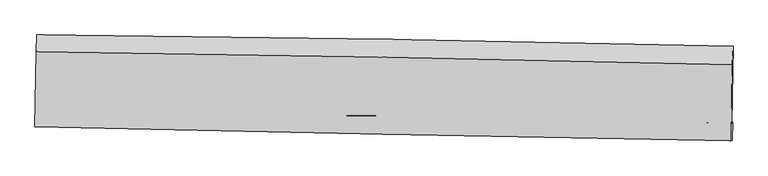
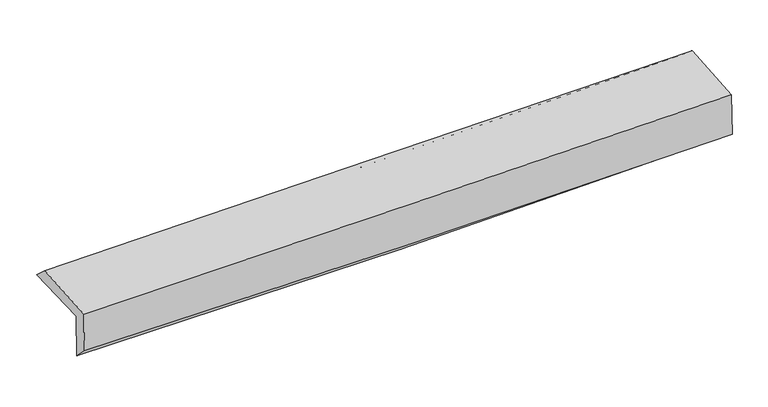
"""IFC4 building model written with IfcOpenShell, lengths in millimetres: proxy geometry."""

from ifc_helpers import new_model, si_unit, frame, origin, place, context, project, spatial, source, transform, mapped, element, save
from ifc_brep_helpers import plane_surface, spline_curve, spline_surface, advanced_brep


def generic_models_545c6d7f(model_context):
    return source(origin(), model_context, "Body", "AdvancedBrep", [
        advanced_brep(
        [(-3021.2728746, -1754.8014784, 1976.2050157), (-3010.2890209, -1090.5553292, 1981.5123066), (3002.0321039, -1189.6968537, 2125.0240023), (2991.1855489, -1851.2927097, 2119.740128), (-3011.663761, -1750.0397247, 1576.5791662), (3001.1552118, -1846.3522874, 1705.1196767), (-3016.8780516, -1880.3629637, 1703.8316427), (2995.693749, -2001.6003326, 1826.1661598), (-3025.815972, -1884.7921106, 2075.5437675), (2986.1557163, -2006.3268625, 2222.8358852), (-3015.7280207, -1235.6808608, 2107.8053299), (2996.2673602, -1349.7189864, 2255.4677488)],
        [
            (0, 1),
            (1, 2, spline_curve(3, [(-3010.2890209, -1090.5553292, 1981.5123066), (-2003.98723578, -1098.790901075, 1978.052005232), (-998.214733152, -1111.210095934, 1988.363014155), (1005.885604673, -1144.310257411, 2036.374663069), (2004.22014395, -1164.938237306, 2073.900885947), (3002.0321039, -1189.6968537, 2125.0240023)], [4, 2, 4], [0.0, 9.899589997842831, 19.73628995565476])),
            (2, 3),
            (3, 0, spline_curve(3, [(2991.1855489, -1851.2927097, 2119.740128), (1993.035558954, -1824.88551879, 2068.621427013), (994.520097224, -1803.65007721, 2031.095480025), (-1009.628022159, -1771.419992049, 1983.076078696), (-2015.265368652, -1760.491689474, 1972.756988504), (-3021.2728746, -1754.8014784, 1976.2050157)], [4, 2, 4], [0.0, 9.83669995781193, 19.73628995565476])),
            (4, 0),
            (3, 5),
            (5, 4, spline_curve(3, [(3001.1552118, -1846.3522874, 1705.1196767), (2002.761621354, -1826.342471047, 1659.536200358), (1004.094116828, -1808.330704303, 1626.028283916), (-1000.175360272, -1776.200886058, 1583.026545276), (-2005.780846974, -1762.108465579, 1573.687624968), (-3011.663761, -1750.0397247, 1576.5791662)], [4, 2, 4], [0.0, 9.836619196810727, 19.736127917314292])),
            (6, 4),
            (5, 7),
            (7, 6, spline_curve(3, [(2995.693749, -2001.6003326, 1826.1661598), (1996.88629102, -1982.548924147, 1793.79615506), (998.031659885, -1962.954036879, 1767.429902559), (-1006.158335058, -1922.548552323, 1726.574715659), (-2011.494304306, -1901.730983154, 1712.162796106), (-3016.8780516, -1880.3629637, 1703.8316427)], [4, 2, 4], [0.0, 9.836134263009649, 19.735154949332305])),
            (8, 6),
            (7, 9),
            (9, 8, spline_curve(3, [(2986.1557163, -2006.3268625, 2222.8358852), (1987.245672764, -1987.326289845, 2194.732221907), (988.389276928, -1967.732277117, 2168.439370913), (-1015.601973999, -1927.228305856, 2119.318769615), (-2020.736140858, -1906.310734238, 2096.514248186), (-3025.815972, -1884.7921106, 2075.5437675)], [4, 2, 4], [0.0, 9.835788346713535, 19.734460905155927])),
            (10, 8),
            (9, 11),
            (11, 10, spline_curve(3, [(2996.2673602, -1349.7189864, 2255.4677488), (1997.821057552, -1324.506529299, 2227.68188654), (999.195308818, -1302.41742125, 2201.517780397), (-1004.800849326, -1264.364647307, 2152.276170535), (-2010.173561341, -1248.441046741, 2129.219470399), (-3015.7280207, -1235.6808608, 2107.8053299)], [4, 2, 4], [0.0, 9.835621636340237, 19.734126418561832])),
            (1, 10),
            (11, 2),
        ],
        [
            spline_surface(3, 3, [[(-3021.2728746, -1754.8014784, 1976.2050157), (-2015.265368626, -1760.491689622, 1972.756988458), (-1009.628022297, -1771.419991933, 1983.07607881), (994.520097361, -1803.650077325, 2031.095479912), (1993.035558905, -1824.885518755, 2068.621426988), (2991.1855489, -1851.2927097, 2119.740128)], [(-3017.611590036, -1533.386095358, 1977.974112644), (-2011.505991014, -1539.924760135, 1974.521994058), (-1005.823592644, -1551.350026596, 1984.838390645), (998.308599834, -1583.870137308, 2032.855207607), (1996.763753933, -1604.903091599, 2070.381246606), (2994.801067253, -1630.760757694, 2121.501419419)], [(-3013.950305464, -1311.970712242, 1979.743209656), (-2007.746613394, -1319.357830575, 1976.286999727), (-1002.019162952, -1331.280061334, 1986.600702437), (1002.097102346, -1364.090197365, 2034.614935258), (2000.491948902, -1384.92066446, 2072.141066267), (2998.416585547, -1410.228805706, 2123.262710881)], [(-3010.2890209, -1090.5553292, 1981.5123066), (-2003.987235782, -1098.790901088, 1978.052005328), (-998.214733299, -1111.210095998, 1988.363014273), (1005.885604819, -1144.310257348, 2036.374662952), (2004.22014393, -1164.938237305, 2073.900885885), (3002.0321039, -1189.6968537, 2125.0240023)]], [4, 4], [4, 2, 4], [0.0, 2.16501676713947], [0.0, 9.899589997842831, 19.73628995565476]),
            spline_surface(3, 3, [[(-3011.663761, -1750.0397247, 1576.5791662), (-2005.780846854, -1762.108465687, 1573.687624996), (-1000.175360342, -1776.200886214, 1583.026545385), (1004.094116897, -1808.330704147, 1626.028283808), (2002.761621339, -1826.342471175, 1659.536200215), (3001.1552118, -1846.3522874, 1705.1196767)], [(-3014.866798858, -1751.626975928, 1709.787782716), (-2008.942354103, -1761.569540327, 1706.710746166), (-1003.326247643, -1774.607254807, 1716.376389845), (1000.902777069, -1806.770495227, 1761.050682495), (1999.519600527, -1825.856820371, 1795.897942473), (2997.831990833, -1847.999094836, 1843.326493801)], [(-3018.069836742, -1753.214227172, 1842.996399184), (-2012.103861377, -1761.030614982, 1839.733867287), (-1006.477134996, -1773.01362334, 1849.72623435), (997.711437189, -1805.210286246, 1896.073081226), (1996.277579717, -1825.371169559, 1932.25968473), (2994.508769867, -1849.645902264, 1981.533310899)], [(-3021.2728746, -1754.8014784, 1976.2050157), (-2015.265368626, -1760.491689622, 1972.756988458), (-1009.628022297, -1771.419991933, 1983.07607881), (994.520097361, -1803.650077325, 2031.095479912), (1993.035558905, -1824.885518755, 2068.621426988), (2991.1855489, -1851.2927097, 2119.740128)]], [4, 4], [4, 2, 4], [0.0, 1.3211371554076439], [0.0, 9.899508720503565, 19.736127917314292]),
            spline_surface(3, 3, [[(-3016.8780516, -1880.3629637, 1703.8316427), (-2011.494304296, -1901.730983143, 1712.162796018), (-1006.158335132, -1922.548552243, 1726.574715779), (998.031659959, -1962.954036959, 1767.42990244), (1996.886290972, -1982.548924171, 1793.79615503), (2995.693749, -2001.6003326, 1826.1661598)], [(-3015.139954721, -1836.921884011, 1661.414150542), (-2009.589818469, -1855.190143969, 1666.004405686), (-1004.164010214, -1873.765996881, 1678.725325675), (1000.052478926, -1911.412926003, 1720.29602959), (1998.844734419, -1930.480106496, 1749.042836778), (2997.514236591, -1949.85098419, 1785.81733212)], [(-3013.401857879, -1793.480804389, 1618.996658358), (-2007.685332681, -1808.649304861, 1619.846015328), (-1002.16968526, -1824.983441577, 1630.875935489), (1002.07329793, -1859.871815104, 1673.162156658), (2000.803177893, -1878.41128885, 1704.289518467), (2999.334724209, -1898.10163581, 1745.46850438)], [(-3011.663761, -1750.0397247, 1576.5791662), (-2005.780846854, -1762.108465687, 1573.687624996), (-1000.175360342, -1776.200886214, 1583.026545385), (1004.094116897, -1808.330704147, 1626.028283808), (2002.761621339, -1826.342471175, 1659.536200215), (3001.1552118, -1846.3522874, 1705.1196767)]], [4, 4], [4, 2, 4], [0.0, 0.6801331263626824], [0.0, 9.899020686322656, 19.735154949332305]),
            spline_surface(3, 3, [[(-3025.815972, -1884.7921106, 2075.5437675), (-2020.736140801, -1906.310734324, 2096.514248154), (-1015.601973999, -1927.228305733, 2119.31876972), (988.389276927, -1967.732277239, 2168.439370808), (1987.245672919, -1987.326289789, 2194.732221854), (2986.1557163, -2006.3268625, 2222.8358852)], [(-3022.836665206, -1883.31572831, 1951.639725873), (-2017.655528639, -1904.784150607, 1968.397097415), (-1012.454094364, -1925.668387918, 1988.404085065), (991.603404617, -1966.139530494, 2034.76954801), (1990.459212289, -1985.733834583, 2061.086866248), (2989.335060552, -2004.751352534, 2090.612643403)], [(-3019.857358394, -1881.83934599, 1827.735684327), (-2014.574916458, -1903.25756686, 1840.279946757), (-1009.306214767, -1924.108470058, 1857.489400434), (994.817532269, -1964.546783704, 1901.099725237), (1993.672751603, -1984.141379377, 1927.441510635), (2992.514404748, -2003.175842566, 1958.389401597)], [(-3016.8780516, -1880.3629637, 1703.8316427), (-2011.494304296, -1901.730983143, 1712.162796018), (-1006.158335132, -1922.548552243, 1726.574715779), (998.031659959, -1962.954036959, 1767.42990244), (1996.886290972, -1982.548924171, 1793.79615503), (2995.693749, -2001.6003326, 1826.1661598)]], [4, 4], [4, 2, 4], [0.0, 1.3024710167770013], [0.0, 9.898672558442392, 19.734460905155927]),
            spline_surface(3, 3, [[(-3015.7280207, -1235.6808608, 2107.8053299), (-2010.173561197, -1248.441046857, 2129.219470533), (-1004.800849472, -1264.36464732, 2152.276170626), (999.195308962, -1302.417421237, 2201.517780306), (1997.821057515, -1324.506529262, 2227.681886529), (2996.2673602, -1349.7189864, 2255.4677488)], [(-3019.090671139, -1452.051277418, 2097.051475761), (-2013.694421071, -1467.730942697, 2118.317729735), (-1008.401224325, -1485.319200135, 2141.290370315), (995.593298273, -1524.189039916, 2190.491643798), (1994.295929286, -1545.446449436, 2216.698664951), (2992.896812203, -1568.588278432, 2244.590460913)], [(-3022.453321561, -1668.421693982, 2086.297621639), (-2017.215280927, -1687.020838484, 2107.415988953), (-1012.001599146, -1706.273752918, 2130.304570031), (991.991287616, -1745.960658561, 2179.465507316), (1990.770801148, -1766.386369615, 2205.715443432), (2989.526264297, -1787.457570468, 2233.713173087)], [(-3025.815972, -1884.7921106, 2075.5437675), (-2020.736140801, -1906.310734324, 2096.514248154), (-1015.601973999, -1927.228305733, 2119.31876972), (988.389276927, -1967.732277239, 2168.439370808), (1987.245672919, -1987.326289789, 2194.732221854), (2986.1557163, -2006.3268625, 2222.8358852)]], [4, 4], [4, 2, 4], [0.0, 2.1817237214806995], [0.0, 9.898504782221595, 19.734126418561832]),
            spline_surface(3, 3, [[(-3010.2890209, -1090.5553292, 1981.5123066), (-2003.987235782, -1098.790901088, 1978.052005328), (-998.214733299, -1111.210095998, 1988.363014273), (1005.885604819, -1144.310257348, 2036.374662952), (2004.22014393, -1164.938237305, 2073.900885885), (3002.0321039, -1189.6968537, 2125.0240023)], [(-3012.10202084, -1138.930506374, 2023.609981064), (-2006.049344261, -1148.674282985, 2028.441160427), (-1000.41010535, -1162.261613103, 2043.000733047), (1003.655506206, -1197.012645309, 2091.422368727), (2002.087115127, -1218.127667972, 2125.161219444), (3000.110522668, -1243.037564614, 2168.505251145)], [(-3013.91502076, -1187.305683626, 2065.707655436), (-2008.111452719, -1198.55766496, 2078.830315434), (-1002.60547742, -1213.313130214, 2097.638451852), (1001.425407575, -1249.715033276, 2146.470074531), (1999.954086319, -1271.317098595, 2176.42155297), (2998.188941432, -1296.378275486, 2211.986499955)], [(-3015.7280207, -1235.6808608, 2107.8053299), (-2010.173561197, -1248.441046857, 2129.219470533), (-1004.800849472, -1264.36464732, 2152.276170626), (999.195308962, -1302.417421237, 2201.517780306), (1997.821057515, -1324.506529262, 2227.681886529), (2996.2673602, -1349.7189864, 2255.4677488)]], [4, 4], [4, 2, 4], [0.0, 0.74329816082414], [0.0, 9.898755888481881, 19.734627035856466]),
            plane_surface(frame((2995.4149484, -1707.4980054, 2042.3922668), z_axis=(0.9995783804311698, -0.016578001091508802, 0.02383760169165034), x_axis=(0.024036621824486577, 0.011911241514831077, -0.9996401168104659))),
            plane_surface(frame((-3016.9412835, -1599.3720779, 1903.5795381), z_axis=(-0.9995760692049394, 0.01671925561125198, -0.02383586299272623), x_axis=(-0.01653303056332784, -0.9998314063820865, -0.007988598901638026))),
        ],
        [
            (0, [[1, 2, 3, 4]]),
            (1, [[5, -4, 6, 7]]),
            (2, [[8, -7, 9, 10]]),
            (3, [[11, -10, 12, 13]]),
            (4, [[14, -13, 15, 16]]),
            (5, [[17, -16, 18, -2]]),
            (6, [[-12, -9, -6, -3, -18, -15]]),
            (7, [[-1, -5, -8, -11, -14, -17]]),
        ],
    ),
    ])


if __name__ == "__main__":
    model = new_model("IFC4")
    model_context = context("Model", 3, world=origin())
    ifc_project = project(units=[si_unit("LENGTHUNIT", "METRE", prefix="MILLI")], contexts=[model_context])
    site = spatial("IfcSite", under=ifc_project)
    building = spatial("IfcBuilding", under=site)
    placement = place(None, origin())
    generic_models_shape = generic_models_545c6d7f(model_context)
    element("IfcBuildingElementProxy", 1, Name="Generic Models", at=placement, inside=building, context=model_context, shape_type="MappedRepresentation", body=[
        mapped(generic_models_shape, transform((0.0, 0.0, 0.0), x_axis=(1.0, 0.0, 0.0), y_axis=(0.0, 1.0, 0.0), z_axis=(0.0, 0.0, 1.0))),
    ])
    save(model, "model.ifc")
